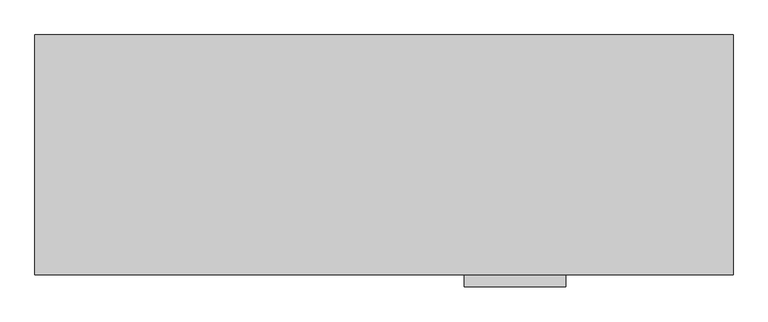
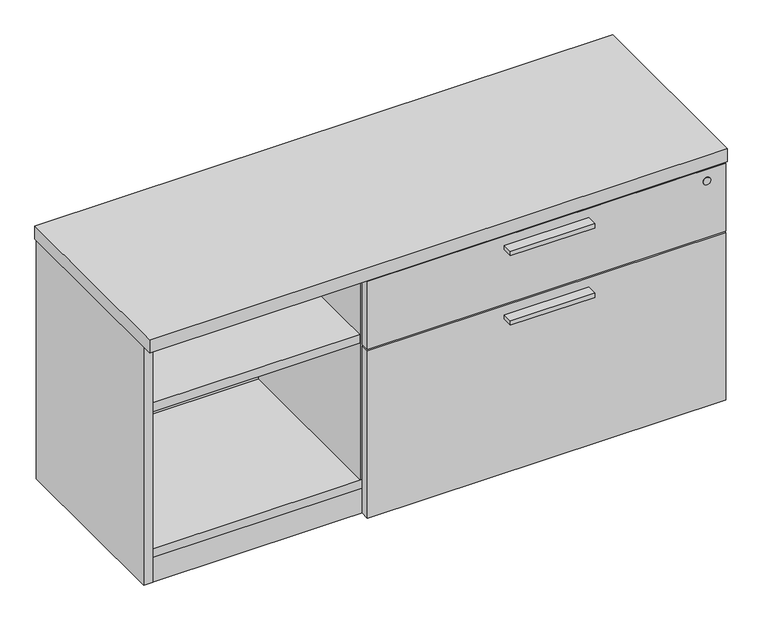
"""IFC4 building model written with IfcOpenShell, lengths in millimetres: furniture geometry."""

from ifc_helpers import new_model, si_unit, point, frame, frame_2d, origin, origin_with_axes, place, context, project, spatial, polyline, circle_curve, trimmed, segment, composite_curve, outline, extrude, source, transform, mapped, element, save


def furniture_7eefd39d(model_context):
    return source(origin(), model_context, "Body", "SweptSolid", [
        extrude(outline(polyline([(927.1635, -447.8158592), (749.3635, -447.8158592), (749.3635, -425.5908592), (927.1635, -425.5908592), (927.1635, -447.8158592)])), frame((0.0, 0.0, 351.0330729), z_axis=(0.0, 0.0, 1.0), x_axis=(1.0, 0.0, 0.0)), (0.0, 0.0, 1.0), 9.525),
        extrude(outline(polyline([(927.1635, -447.8158592), (749.3635, -447.8158592), (749.3635, -425.5908592), (927.1635, -425.5908592), (927.1635, -447.8158592)])), frame((0.0, 0.0, 506.1508939), z_axis=(0.0, 0.0, 1.0), x_axis=(1.0, 0.0, 0.0)), (0.0, 0.0, 1.0), 9.525),
        extrude(outline(polyline([(1156.8692022, -345.6355984), (1172.81706, -336.4280984), (1188.7649178, -345.6355984), (1188.7649178, -364.0505984), (1172.81706, -373.2580984), (1156.8692022, -364.0505984), (1156.8692022, -345.6355984)])), origin_with_axes(), (0.0, 0.0, 1.0), 9.144),
        extrude(outline(polyline([(1156.8692022, -47.1181713), (1172.81706, -37.9106713), (1188.7649178, -47.1181713), (1188.7649178, -65.5331713), (1172.81706, -74.7406713), (1156.8692022, -65.5331713), (1156.8692022, -47.1181713)])), origin_with_axes(), (0.0, 0.0, 1.0), 9.144),
        extrude(outline(polyline([(30.4350822, -345.6355984), (46.38294, -336.4280984), (62.3307978, -345.6355984), (62.3307978, -364.0505984), (46.38294, -373.2580984), (30.4350822, -364.0505984), (30.4350822, -345.6355984)])), origin_with_axes(), (0.0, 0.0, 1.0), 9.144),
        extrude(outline(polyline([(30.4350822, -47.1181713), (46.38294, -37.9106713), (62.3307978, -47.1181713), (62.3307978, -65.5331713), (46.38294, -74.7406713), (30.4350822, -65.5331713), (30.4350822, -47.1181713)])), origin_with_axes(), (0.0, 0.0, 1.0), 9.144),
        extrude(outline(polyline([(1198.3085154, -401.5878548), (20.8915005, -401.5878548), (20.8915005, -382.2838548), (1198.3085154, -382.2838548), (1198.3085154, -401.5878548)])), frame((0.0, 0.0, 4.699), z_axis=(0.0, 0.0, 1.0), x_axis=(1.0, 0.0, 0.0)), (0.0, 0.0, 1.0), 55.56758),
        extrude(outline(polyline([(1198.3085154, -30.4938704), (1198.3085154, -402.7308447), (20.8915005, -402.7308447), (20.8915005, -30.4938704), (1198.3085154, -30.4938704)])), frame((0.0, 0.0, 520.1843787), z_axis=(0.0, 0.0, 1.0), x_axis=(1.0, 0.0, 0.0)), (0.0, 0.0, 1.0), 19.304),
        extrude(outline(polyline([(478.2185, -30.4938704), (478.2185, -401.5878548), (458.9145, -401.5878548), (458.9145, -30.4938704), (478.2185, -30.4938704)])), frame((0.0, 0.0, 79.57058), z_axis=(0.0, 0.0, 1.0), x_axis=(1.0, 0.0, 0.0)), (0.0, 0.0, 1.0), 440.6137987),
        extrude(outline(polyline([(460.502, -406.2868776), (1216.025, -406.2868776), (1216.025, -425.5908592), (460.502, -425.5908592), (460.502, -406.2868776)])), frame((0.0, 0.0, 384.3705787), z_axis=(0.0, 0.0, 1.0), x_axis=(1.0, 0.0, 0.0)), (0.0, 0.0, 1.0), 151.9428152),
        extrude(outline(polyline([(460.502, -406.2868776), (1216.025, -406.2868776), (1216.025, -425.5908592), (460.502, -425.5908592), (460.502, -406.2868776)])), frame((0.0, 0.0, 7.874), z_axis=(0.0, 0.0, 1.0), x_axis=(1.0, 0.0, 0.0)), (0.0, 0.0, 1.0), 373.3215729),
        extrude(outline(polyline([(458.9145, -30.4938704), (458.9145, -400.8258374), (20.8915, -400.8258374), (20.8915, -30.4938704), (458.9145, -30.4938704)])), frame((0.0, 0.0, 384.3705787), z_axis=(0.0, 0.0, 1.0), x_axis=(1.0, 0.0, 0.0)), (0.0, 0.0, 1.0), 19.304),
        extrude(outline(polyline([(1219.2, -8.0783713), (1219.2, -427.1783713), (0.0, -427.1783713), (0.0, -8.0783713), (1219.2, -8.0783713)])), frame((0.0, 0.0, 539.4883818), z_axis=(0.0, 0.0, 1.0), x_axis=(1.0, 0.0, 0.0)), (0.0, 0.0, 1.0), 28.5749969),
        extrude(outline(polyline([(1198.3085154, -30.4938704), (1198.3085154, -402.7308447), (20.8915005, -402.7308447), (20.8915005, -30.4938704), (1198.3085154, -30.4938704)])), frame((0.0, 0.0, 60.26658), z_axis=(0.0, 0.0, 1.0), x_axis=(1.0, 0.0, 0.0)), (0.0, 0.0, 1.0), 19.304),
        extrude(outline(polyline([(1198.3085154, -11.1898712), (1198.3085154, -30.4938704), (20.8915005, -30.4938704), (20.8915005, -11.1898712), (1198.3085154, -11.1898712)])), frame((0.0, 0.0, 4.699), z_axis=(0.0, 0.0, 1.0), x_axis=(1.0, 0.0, 0.0)), (0.0, 0.0, 1.0), 534.7893787),
        extrude(outline(polyline([(20.8915005, -9.6658713), (20.8915005, -403.1118534), (1.5875, -403.1118534), (1.5875, -9.6658713), (20.8915005, -9.6658713)])), frame((0.0, 0.0, 4.699), z_axis=(0.0, 0.0, 1.0), x_axis=(1.0, 0.0, 0.0)), (0.0, 0.0, 1.0), 534.7893787),
        extrude(outline(polyline([(1198.3085154, -9.6658713), (1217.6125158, -9.6658713), (1217.6125158, -403.1118534), (1198.3085154, -403.1118534), (1198.3085154, -9.6658713)])), frame((0.0, 0.0, 4.699), z_axis=(0.0, 0.0, 1.0), x_axis=(1.0, 0.0, 0.0)), (0.0, 0.0, 1.0), 534.7893787),
        extrude(outline(composite_curve([segment(trimmed(circle_curve(frame_2d((510.9133939, 1176.02)), 8.001), [point((510.9133939, 1184.021))], [point((510.9133939, 1168.019))], False, "CARTESIAN"), True, "CONTINUOUS"), segment(trimmed(circle_curve(frame_2d((510.9133939, 1176.02)), 8.001), [point((510.9133939, 1168.019))], [point((510.9133939, 1184.021))], False, "CARTESIAN"), True, "CONTINUOUS")], self_intersect=False)), frame((0.0, -427.1783713, 0.0), z_axis=(0.0, 1.0, 0.0), x_axis=(0.0, 0.0, 1.0)), (0.0, 0.0, 1.0), 1.5875121),
    ])


if __name__ == "__main__":
    model = new_model("IFC4")
    model_context = context("Model", 3, world=origin())
    ifc_project = project(units=[si_unit("LENGTHUNIT", "METRE", prefix="MILLI")], contexts=[model_context])
    site = spatial("IfcSite", under=ifc_project)
    building = spatial("IfcBuilding", under=site)
    placement = place(None, origin())
    furniture_shape = furniture_7eefd39d(model_context)
    element("IfcFurniture", 1, at=placement, inside=building, context=model_context, shape_type="MappedRepresentation", body=[
        mapped(furniture_shape, transform((0.0, 0.0, 0.0), x_axis=(1.0, 0.0, 0.0), y_axis=(0.0, 1.0, 0.0), z_axis=(0.0, 0.0, 1.0))),
    ])
    save(model, "model.ifc")
